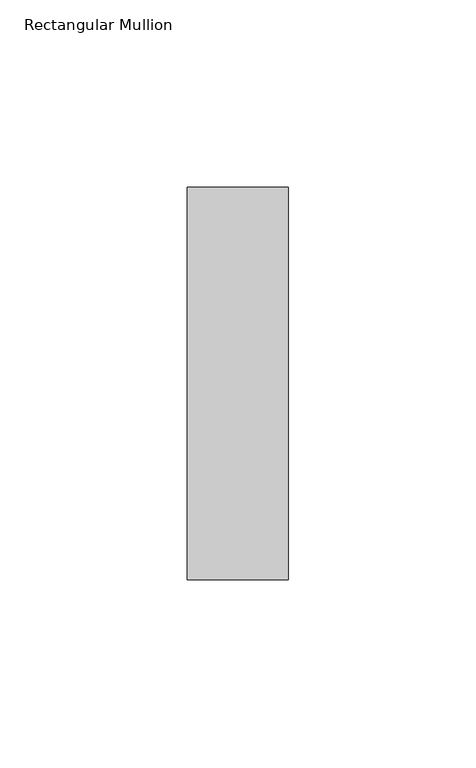
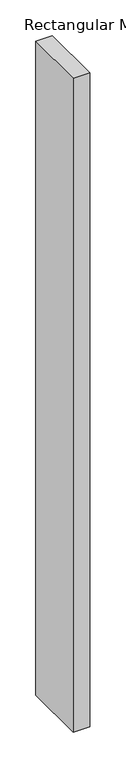
"""IFC4 building model written with IfcOpenShell, lengths in millimetres: member geometry, Rectangular Mullion."""

from ifc_helpers import new_model, si_unit, frame, origin, place, context, project, spatial, polyline, outline, extrude, source, transform, mapped, element, save


def rectangular_mullion_0202c8db(model_context):
    return source(origin(), model_context, "Body", "SweptSolid", [
        extrude(outline(polyline([(-27.0, 52.3975), (0.0, 52.3975), (0.0, -52.3975), (-27.0, -52.3975), (-27.0, 52.3975)])), frame((0.0, 0.0, -1118.0), z_axis=(0.0, 0.0, 1.0), x_axis=(1.0, 0.0, 0.0)), (0.0, 0.0, 1.0), 1118.0),
    ])


if __name__ == "__main__":
    model = new_model("IFC4")
    model_context = context("Model", 3, world=origin())
    ifc_project = project(units=[si_unit("LENGTHUNIT", "METRE", prefix="MILLI")], contexts=[model_context])
    site = spatial("IfcSite", under=ifc_project)
    building = spatial("IfcBuilding", under=site)
    placement = place(None, origin())
    rectangular_mullion_shape = rectangular_mullion_0202c8db(model_context)
    element("IfcMember", 1, ObjectType="Rectangular Mullion", at=placement, inside=building, context=model_context, shape_type="MappedRepresentation", body=[
        mapped(rectangular_mullion_shape, transform((0.0, 0.0, 0.0), x_axis=(1.0, 0.0, 0.0), y_axis=(0.0, 1.0, 0.0), z_axis=(0.0, 0.0, 1.0))),
    ])
    save(model, "model.ifc")
